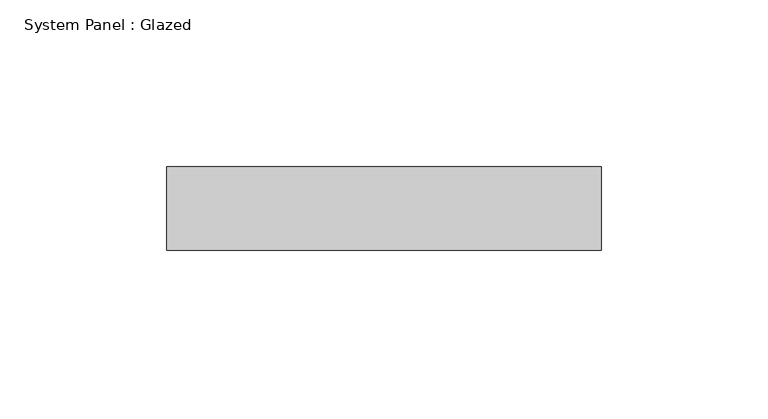
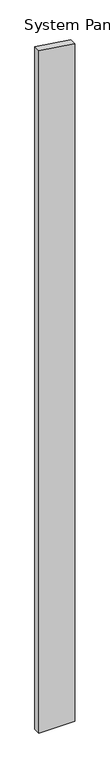
"""IFC4 building model written with IfcOpenShell, lengths in millimetres: plate geometry, System Panel : Glazed."""

from ifc_helpers import new_model, si_unit, frame, origin, place, context, project, spatial, polyline, outline, extrude, source, transform, mapped, element, save


def system_panel_glazed_94906e60(model_context):
    return source(origin(), model_context, "Body", "SweptSolid", [
        extrude(outline(polyline([(0.0, -65.0), (0.0, 65.0), (2586.6704978, 65.0), (2605.9007628, -65.0), (0.0, -65.0)])), frame((0.0, 24.5, 0.0), z_axis=(0.0, 1.0, 0.0), x_axis=(0.0, 0.0, 1.0)), (0.0, 0.0, 1.0), 25.0),
    ])


if __name__ == "__main__":
    model = new_model("IFC4")
    model_context = context("Model", 3, world=origin())
    ifc_project = project(units=[si_unit("LENGTHUNIT", "METRE", prefix="MILLI")], contexts=[model_context])
    site = spatial("IfcSite", under=ifc_project)
    building = spatial("IfcBuilding", under=site)
    placement = place(None, origin())
    system_panel_glazed_shape = system_panel_glazed_94906e60(model_context)
    element("IfcPlate", 1, ObjectType="System Panel : Glazed", at=placement, inside=building, context=model_context, shape_type="MappedRepresentation", body=[
        mapped(system_panel_glazed_shape, transform((0.0, 0.0, 0.0), x_axis=(1.0, 0.0, 0.0), y_axis=(0.0, 1.0, 0.0), z_axis=(0.0, 0.0, 1.0))),
    ])
    save(model, "model.ifc")
